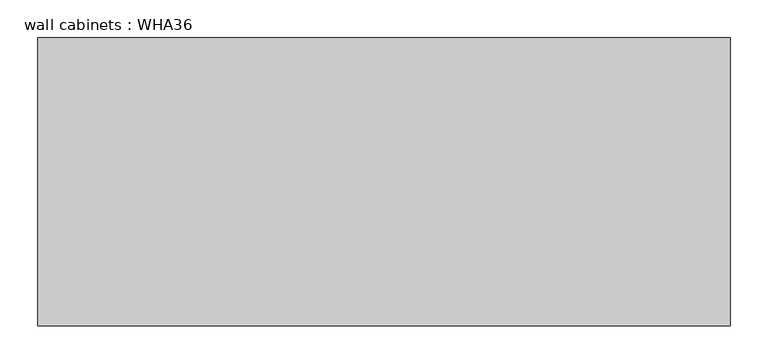
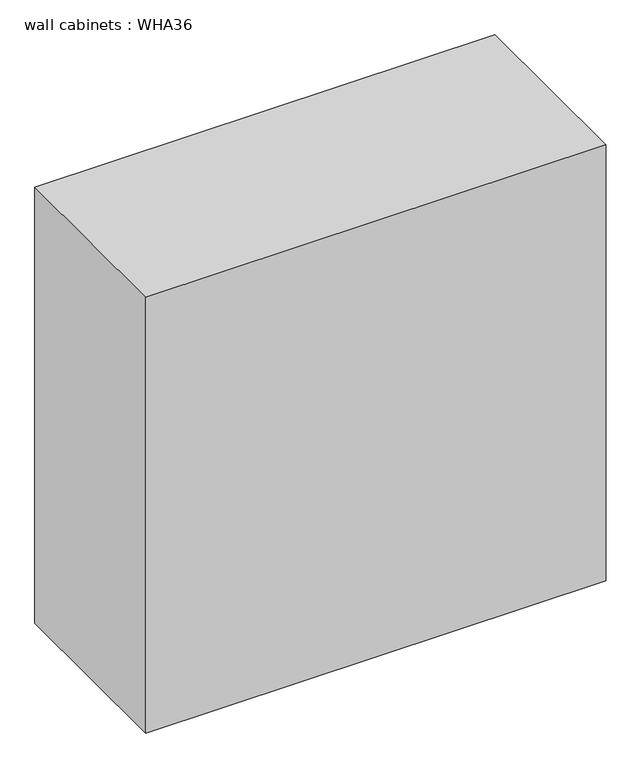
"""IFC4 building model written with IfcOpenShell, lengths in millimetres: furniture geometry, wall cabinets : WHA36."""

from ifc_helpers import new_model, si_unit, frame, origin, place, context, project, spatial, polyline, outline, extrude, source, transform, mapped, element, save


def wall_cabinets_wha36_3e6d9171(model_context):
    return source(origin(), model_context, "Body", "SweptSolid", [
        extrude(outline(polyline([(-133.6622951, 228.6), (-133.6622951, -152.4), (-1048.0622951, -152.4), (-1048.0622951, 228.6), (-133.6622951, 228.6)])), frame((0.0, 0.0, 1397.0), z_axis=(0.0, 0.0, 1.0), x_axis=(1.0, 0.0, 0.0)), (0.0, 0.0, 1.0), 914.4),
    ])


if __name__ == "__main__":
    model = new_model("IFC4")
    model_context = context("Model", 3, world=origin())
    ifc_project = project(units=[si_unit("LENGTHUNIT", "METRE", prefix="MILLI")], contexts=[model_context])
    site = spatial("IfcSite", under=ifc_project)
    building = spatial("IfcBuilding", under=site)
    placement = place(None, origin())
    wall_cabinets_wha36_shape = wall_cabinets_wha36_3e6d9171(model_context)
    element("IfcFurniture", 1, ObjectType="wall cabinets : WHA36", at=placement, inside=building, context=model_context, shape_type="MappedRepresentation", body=[
        mapped(wall_cabinets_wha36_shape, transform((0.0, 0.0, 0.0), x_axis=(1.0, 0.0, 0.0), y_axis=(0.0, 1.0, 0.0), z_axis=(0.0, 0.0, 1.0))),
    ])
    save(model, "model.ifc")
